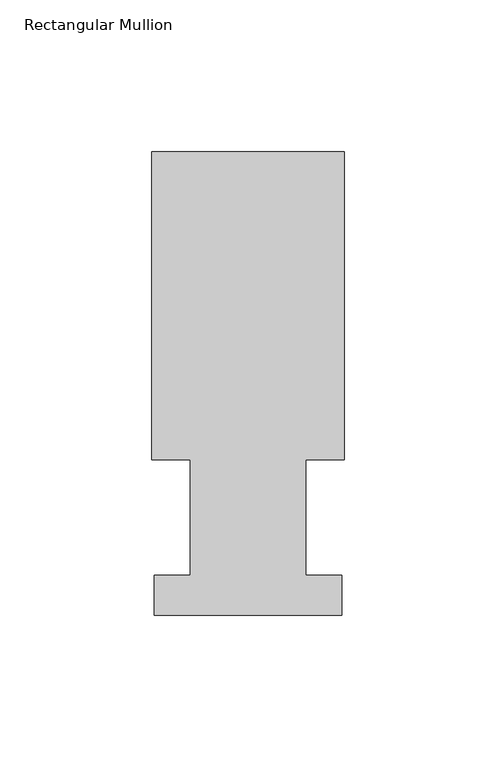
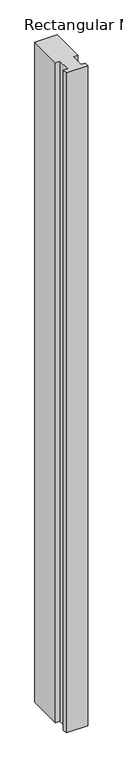
"""IFC4 building model written with IfcOpenShell, lengths in millimetres: member geometry, Rectangular Mullion."""

import ifcopenshell
import ifcopenshell.guid

model = None  # the IFC model being written
_history = None  # IfcOwnerHistory: only IFC2X3 demands one
_inside = {}  # id of a spatial element -> (the spatial element, [elements in it])
_under = {}  # id of a project, library or spatial element -> (it, [spatial elements below it])
_declared = {}  # id of a project -> (the project, [libraries it declares])
_typed = {}  # id of a type object -> (the type object, [elements of that type])
_made_of = {}  # id of a material, layer set ... -> (it, [elements and type objects made of it])


def new_model(schema):
    """Start an empty IFC model of exactly this schema.

    Asked for "IFC4X3", IfcOpenShell would pick the latest addendum, in which some entities
    have other attributes; the version numbers below select the first issue.
    IFC2X3 requires an IfcOwnerHistory on every rooted entity: one is made here for all.
    """
    global model, _history
    if schema == "IFC4X3":
        model = ifcopenshell.file(schema_version=(4, 3, 0, 0))
    else:
        model = ifcopenshell.file(schema=schema)
    _inside.clear()
    _under.clear()
    _declared.clear()
    _typed.clear()
    _made_of.clear()
    _history = None
    if model.schema == "IFC2X3":
        org = make("IfcOrganization", Name="unknown")
        user = make(
            "IfcPersonAndOrganization",
            ThePerson=make("IfcPerson", FamilyName="unknown"),
            TheOrganization=org,
        )
        app = make(
            "IfcApplication",
            ApplicationDeveloper=org,
            Version="unknown",
            ApplicationFullName="unknown",
            ApplicationIdentifier="unknown",
        )
        _history = make(
            "IfcOwnerHistory",
            OwningUser=user,
            OwningApplication=app,
            ChangeAction="ADDED",
            CreationDate=0,
        )
    return model


def make(cls, **values):
    """One entity of the class cls with the attributes given. An attribute that is None is left unset."""
    return model.create_entity(
        cls, **{name: value for name, value in values.items() if value is not None}
    )


def rooted(cls, **values):
    """An entity with a GlobalId (a new one), such as an element, a storey or a relation."""
    return make(cls, GlobalId=ifcopenshell.guid.new(), OwnerHistory=_history, **values)


def si_unit(unit_type, name, prefix=None):
    """IfcSIUnit, for example si_unit("LENGTHUNIT", "METRE", prefix="MILLI")."""
    return make("IfcSIUnit", UnitType=unit_type, Prefix=prefix, Name=name)


def assignment(units):
    """IfcUnitAssignment: the units of a project."""
    return None if units is None else make("IfcUnitAssignment", Units=units)


def point(xyz):
    """IfcCartesianPoint."""
    return None if xyz is None else make("IfcCartesianPoint", Coordinates=xyz)


def direction(xyz):
    """IfcDirection."""
    return None if xyz is None else make("IfcDirection", DirectionRatios=xyz)


def frame(location, z_axis=None, x_axis=None):
    """IfcAxis2Placement3D, a coordinate frame: its origin and axes. An axis left out is left unset."""
    return make(
        "IfcAxis2Placement3D",
        Location=point(location),
        Axis=direction(z_axis),
        RefDirection=direction(x_axis),
    )


def origin():
    """The frame at (0, 0, 0) with its axes left unset."""
    return frame((0.0, 0.0, 0.0))


def place(relative_to, where):
    """IfcLocalPlacement: puts the frame where relative to a parent placement (None: the world)."""
    return make(
        "IfcLocalPlacement", PlacementRelTo=relative_to, RelativePlacement=where
    )


def context(
    kind, dimensions, precision=None, world=None, true_north=None, identifier=None
):
    """IfcGeometricRepresentationContext, for example the 3D "Model" context."""
    return make(
        "IfcGeometricRepresentationContext",
        ContextIdentifier=identifier,
        ContextType=kind,
        CoordinateSpaceDimension=dimensions,
        Precision=precision,
        WorldCoordinateSystem=world,
        TrueNorth=true_north,
    )


def project(units=None, contexts=None):
    """IfcProject with its units and contexts."""
    return rooted(
        "IfcProject",
        Name="project",
        RepresentationContexts=contexts,
        UnitsInContext=assignment(units),
    )


def spatial(cls, under=None, at=None, **own):
    """A site, building, storey or space (cls), placed at a placement, below another one or the project."""
    s = rooted(cls, ObjectPlacement=at, **own)
    if under is not None:
        _under.setdefault(under.id(), (under, []))[1].append(s)
    return s


def polyline(points):
    """IfcPolyline through the points."""
    return make("IfcPolyline", Points=[point(p) for p in points])


def outline(outer, holes=None, kind="AREA"):
    """IfcArbitraryClosedProfileDef: a profile drawn as a closed curve; with holes, ...WithVoids."""
    if holes is None:
        return make("IfcArbitraryClosedProfileDef", ProfileType=kind, OuterCurve=outer)
    return make(
        "IfcArbitraryProfileDefWithVoids",
        ProfileType=kind,
        OuterCurve=outer,
        InnerCurves=holes,
    )


def extrude(swept, where, along, depth):
    """IfcExtrudedAreaSolid: the profile swept, set in the frame where, extruded along a direction by depth."""
    return make(
        "IfcExtrudedAreaSolid",
        SweptArea=swept,
        Position=where,
        ExtrudedDirection=direction(along),
        Depth=depth,
    )


def shape(context_of_items, identifier, shape_type, items):
    """IfcShapeRepresentation: the items that make up one representation, for example the "Body"."""
    return make(
        "IfcShapeRepresentation",
        ContextOfItems=context_of_items,
        RepresentationIdentifier=identifier,
        RepresentationType=shape_type,
        Items=items,
    )


def source(mapping_origin, context_of_items, identifier, shape_type, items):
    """IfcRepresentationMap: a shape defined once, which mapped items show again and again."""
    return make(
        "IfcRepresentationMap",
        MappingOrigin=mapping_origin,
        MappedRepresentation=shape(context_of_items, identifier, shape_type, items),
    )


def transform(
    local_origin,
    x_axis=None,
    y_axis=None,
    z_axis=None,
    scale=None,
    scale2=None,
    scale3=None,
    uniform=True,
):
    """IfcCartesianTransformationOperator3D, or its non-uniform kind. x_axis, y_axis, z_axis: its Axis1, 2, 3."""
    if uniform:
        return make(
            "IfcCartesianTransformationOperator3D",
            Axis1=direction(x_axis),
            Axis2=direction(y_axis),
            LocalOrigin=point(local_origin),
            Scale=scale,
            Axis3=direction(z_axis),
        )
    return make(
        "IfcCartesianTransformationOperator3DnonUniform",
        Axis1=direction(x_axis),
        Axis2=direction(y_axis),
        LocalOrigin=point(local_origin),
        Scale=scale,
        Axis3=direction(z_axis),
        Scale2=scale2,
        Scale3=scale3,
    )


def mapped(mapping_source, mapping_target):
    """IfcMappedItem: shows the shape of a source again, moved by a transform."""
    return make(
        "IfcMappedItem", MappingSource=mapping_source, MappingTarget=mapping_target
    )


def made_of(thing, what):
    """Note that an element or type object is made of a material, layer set ...; save() writes the relation."""
    if what is not None:
        _made_of.setdefault(what.id(), (what, []))[1].append(thing)
    return thing


def element(
    cls,
    number,
    at=None,
    inside=None,
    cuts=None,
    type_object=None,
    material=None,
    context=None,
    identifier="Body",
    shape_type=None,
    held_by="IfcProductDefinitionShape",
    body=None,
    shapes=None,
    **own,
):
    """One element of the class cls, such as IfcWall. Its Tag is "e" and its number.

    at: its placement. inside: the storey or other place that contains it. cuts: it is an
    opening in that element (IfcRelVoidsElement). A single representation is given by context,
    identifier, shape_type and body (its items); several are given by shapes. held_by: the class
    of the entity that holds the representations. save() writes the other relations.
    """
    e = rooted(cls, Tag="e%d" % number, ObjectPlacement=at, **own)
    if body is not None:
        shapes = [shape(context, identifier, shape_type, body)]
    if shapes is not None:
        e.Representation = make(held_by, Representations=shapes)
    if inside is not None:
        _inside.setdefault(inside.id(), (inside, []))[1].append(e)
    if cuts is not None:
        rooted(
            "IfcRelVoidsElement", RelatingBuildingElement=cuts, RelatedOpeningElement=e
        )
    if type_object is not None:
        _typed.setdefault(type_object.id(), (type_object, []))[1].append(e)
    return made_of(e, material)


def aggregate(whole, parts):
    """IfcRelAggregates: a whole, such as a stair, and the parts it consists of."""
    return rooted("IfcRelAggregates", RelatingObject=whole, RelatedObjects=parts)


def save(model, path):
    """Write the relations noted so far, then the file.

    IfcRelAggregates (storeys below a building ...), IfcRelContainedInSpatialStructure (elements
    in a storey), IfcRelDefinesByType, IfcRelAssociatesMaterial and IfcRelDeclares: one each for
    every whole, place, type object, material and project.
    """
    for whole, parts in _under.values():
        aggregate(whole, parts)
    for where, things in _inside.values():
        rooted(
            "IfcRelContainedInSpatialStructure",
            RelatedElements=things,
            RelatingStructure=where,
        )
    for kind, things in _typed.values():
        rooted("IfcRelDefinesByType", RelatedObjects=things, RelatingType=kind)
    for what, things in _made_of.values():
        rooted("IfcRelAssociatesMaterial", RelatedObjects=things, RelatingMaterial=what)
    for by, libraries in _declared.values():
        rooted("IfcRelDeclares", RelatingContext=by, RelatedDefinitions=libraries)
    model.write(path)


def rectangular_mullion_57cc6308(model_context):
    return source(origin(), model_context, "Body", "SweptSolid", [
        extrude(outline(polyline([(-31.7499997, 152.8960948), (31.7500003, 152.8960948), (31.7500003, 51.2960937), (19.0499997, 51.2960937), (19.0499997, 13.1960948), (30.9626006, 13.1960948), (30.9626006, 0.0084148), (-30.9626003, 0.0084148), (-30.9626003, 13.1960948), (-19.0499991, 13.1960948), (-19.0499991, 51.2960937), (-31.7499997, 51.2960937), (-31.7499997, 152.8960948)])), frame((0.0, 0.0, -1993.8843221), z_axis=(0.0, 0.0, 1.0), x_axis=(1.0, 0.0, 0.0)), (0.0, 0.0, 1.0), 1993.8843221),
    ])


if __name__ == "__main__":
    model = new_model("IFC4")
    model_context = context("Model", 3, world=origin())
    ifc_project = project(units=[si_unit("LENGTHUNIT", "METRE", prefix="MILLI")], contexts=[model_context])
    site = spatial("IfcSite", under=ifc_project)
    building = spatial("IfcBuilding", under=site)
    placement = place(None, origin())
    rectangular_mullion_shape = rectangular_mullion_57cc6308(model_context)
    element("IfcMember", 1, ObjectType="Rectangular Mullion", at=placement, inside=building, context=model_context, shape_type="MappedRepresentation", body=[
        mapped(rectangular_mullion_shape, transform((0.0, 0.0, 0.0), x_axis=(1.0, 0.0, 0.0), y_axis=(0.0, 1.0, 0.0), z_axis=(0.0, 0.0, 1.0))),
    ])
    save(model, "model.ifc")
